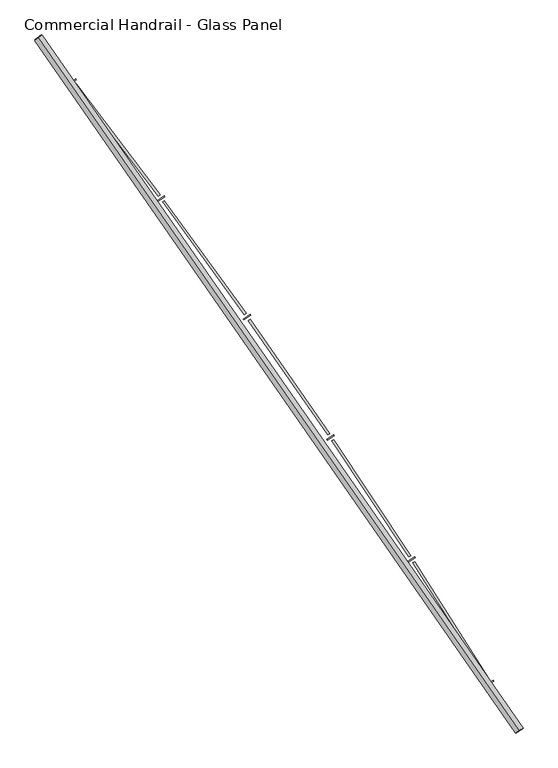
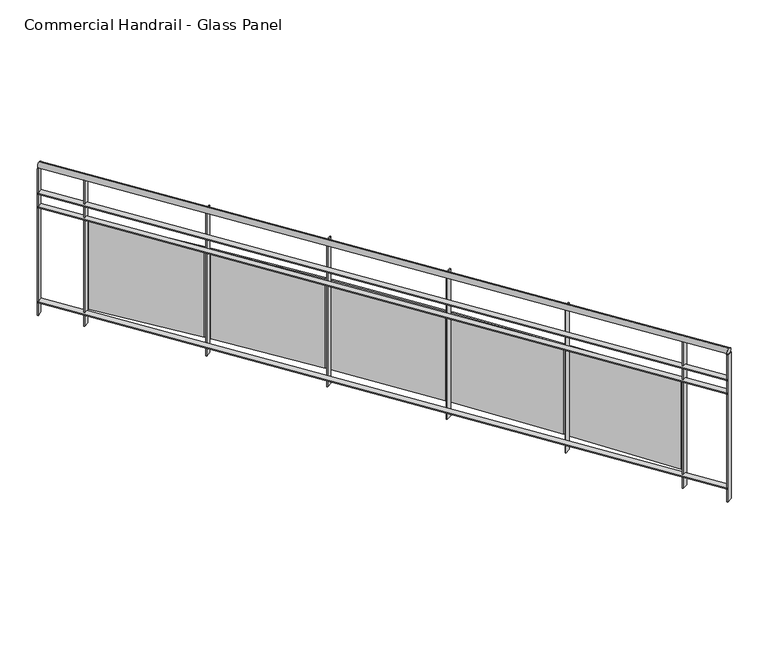
"""IFC4 building model written with IfcOpenShell, lengths in millimetres: railing geometry, Commercial Handrail - Glass Panel."""

from ifc_helpers import new_model, si_unit, point, frame, origin, place, context, project, spatial, polyline, circle_curve, ellipse_curve, trimmed, outline, extrude, source, transform, mapped, element, save
from ifc_brep_helpers import plane_surface, cylinder_surface, revolved_surface, advanced_brep


def commercial_handrail_glass_panel_68dad81e(model_context):
    return source(origin(), model_context, "Body", "SolidModel", [
        advanced_brep(
        [(174947.1226561, -30258.7265853, 36682.5), (172321.2493354, -26475.2644148, 36682.5), (172321.2493354, -26475.2644148, 36717.5), (174947.1226561, -30258.7265853, 36717.5)],
        [
            (0, 1, circle_curve(frame((141591.4318743, -50605.9420988, 36682.5), z_axis=(0.0, 0.0, 1.0), x_axis=(0.7864946016239663, 0.6175971515610791, 0.0)), 39071.873345)),
            (1, 2, ellipse_curve(frame((172321.2493354, -26475.2644148, 36700.0), z_axis=(0.6175971515610738, -0.7864946016239706, 0.0), x_axis=(-0.7864946016239706, -0.6175971515610738, 0.0)), 25.0, 17.5)),
            (2, 3, circle_curve(frame((141591.4318743, -50605.9420988, 36717.5), z_axis=(0.0, 0.0, -1.0), x_axis=(0.7864946016239663, 0.6175971515610791, 0.0)), 39071.873345)),
            (3, 0, ellipse_curve(frame((174947.1226561, -30258.7265853, 36700.0), z_axis=(-0.520763755908061, 0.8537008319853797, 0.0), x_axis=(-0.8537008319853797, -0.520763755908061, 0.0)), 25.0, 17.5)),
            (2, 1, ellipse_curve(frame((172321.2493354, -26475.2644148, 36700.0), z_axis=(0.6175971515610738, -0.7864946016239706, 0.0), x_axis=(-0.7864946016239706, -0.6175971515610738, 0.0)), 25.0, 17.5)),
            (0, 3, ellipse_curve(frame((174947.1226561, -30258.7265853, 36700.0), z_axis=(-0.520763755908061, 0.8537008319853797, 0.0), x_axis=(-0.8537008319853797, -0.520763755908061, 0.0)), 25.0, 17.5)),
        ],
        [
            revolved_surface(trimmed(ellipse_curve(frame((172321.2493354, -26475.2644148, 36700.0), z_axis=(-0.6175971515610791, 0.7864946016239663, 0.0), x_axis=(0.0, 0.0, -1.0)), 17.5, 25.0), [point((172321.2493354, -26475.2644148, 36717.5))], [point((172321.2493354, -26475.2644148, 36682.5))], True, "CARTESIAN"), (141591.4318743, -50605.9420988, 36700.0), (0.0, 0.0, -1.0)),
            revolved_surface(trimmed(ellipse_curve(frame((172321.2493354, -26475.2644148, 36700.0), z_axis=(-0.6175971515610791, 0.7864946016239663, 0.0), x_axis=(0.0, 0.0, -1.0)), 17.5, 25.0), [point((172321.2493354, -26475.2644148, 36682.5))], [point((172321.2493354, -26475.2644148, 36717.5))], True, "CARTESIAN"), (141591.4318743, -50605.9420988, 36700.0), (0.0, 0.0, -1.0)),
            plane_surface(frame((172321.2493354, -26475.2644148, 36700.0), z_axis=(-0.6175971515610791, 0.7864946016239663, 0.0), x_axis=(0.7864946016239663, 0.6175971515610791, 0.0))),
            plane_surface(frame((174947.1226561, -30258.7265853, 36700.0), z_axis=(0.5207637559080605, -0.85370083198538, 0.0), x_axis=(0.85370083198538, 0.5207637559080605, 0.0))),
        ],
        [
            (0, [[1, 2, 3, 4]]),
            (1, [[-3, 5, -1, 6]]),
            (2, [[-2, -5]]),
            (3, [[-6, -4]]),
        ],
    ),
        advanced_brep(
        [(174966.3309248, -30247.0094008, 36500.0), (172338.945464, -26461.3684789, 36500.0), (172303.5532069, -26489.1603507, 36500.0), (174927.9143874, -30270.4437698, 36500.0), (174966.3309248, -30247.0094008, 36494.0), (172338.945464, -26461.3684789, 36494.0), (174927.9143874, -30270.4437698, 36494.0), (172303.5532069, -26489.1603507, 36494.0)],
        [
            (0, 1, circle_curve(frame((141591.4318743, -50605.9420988, 36500.0), z_axis=(0.0, 0.0, 1.0), x_axis=(0.7864946016239663, 0.6175971515610791, 0.0)), 39094.373345)),
            (1, 2),
            (2, 3, circle_curve(frame((141591.4318743, -50605.9420988, 36500.0), z_axis=(0.0, 0.0, -1.0), x_axis=(0.7864946016239663, 0.6175971515610791, 0.0)), 39049.373345)),
            (3, 0),
            (4, 5, circle_curve(frame((141591.4318743, -50605.9420988, 36494.0), z_axis=(0.0, 0.0, 1.0), x_axis=(0.7864946016239663, 0.6175971515610791, 0.0)), 39094.373345)),
            (5, 1),
            (0, 4),
            (6, 7, circle_curve(frame((141591.4318743, -50605.9420988, 36494.0), z_axis=(0.0, 0.0, 1.0), x_axis=(0.7864946016239663, 0.6175971515610791, 0.0)), 39049.373345)),
            (7, 5),
            (4, 6),
            (2, 7),
            (6, 3),
        ],
        [
            plane_surface(frame((141591.4318743, -50605.9420988, 36500.0), z_axis=(0.0, 0.0, 1.0), x_axis=(0.7864946016239663, 0.6175971515610791, 0.0))),
            cylinder_surface(frame((141591.4318743, -50605.9420988, 36500.0), z_axis=(0.0, 0.0, -1.0), x_axis=(0.7864946016239663, 0.6175971515610791, 0.0)), 39094.373345),
            plane_surface(frame((141591.4318743, -50605.9420988, 36494.0), z_axis=(0.0, 0.0, -1.0), x_axis=(0.7864946016239663, 0.6175971515610791, 0.0))),
            revolved_surface(polyline([(172303.55320694132, -26489.160350682872, 36494.0), (172303.55320694132, -26489.160350682872, 36500.0)]), (141591.4318743, -50605.9420988, 36500.0), (0.0, 0.0, -1.0)),
            plane_surface(frame((172321.2493354, -26475.2644148, 36500.0), z_axis=(-0.6175971515610791, 0.7864946016239663, 0.0), x_axis=(0.7864946016239663, 0.6175971515610791, 0.0))),
            plane_surface(frame((174947.1226561, -30258.7265853, 36500.0), z_axis=(0.5207637559080605, -0.85370083198538, 0.0), x_axis=(0.85370083198538, 0.5207637559080605, 0.0))),
        ],
        [
            (0, [[1, 2, 3, 4]]),
            (1, [[5, 6, -1, 7]]),
            (2, [[8, 9, -5, 10]]),
            (3, [[-3, 11, -8, 12]]),
            (4, [[-2, -6, -9, -11]]),
            (5, [[-12, -10, -7, -4]]),
        ],
    ),
        advanced_brep(
        [(174966.3309248, -30247.0094008, 36400.0), (172338.945464, -26461.3684789, 36400.0), (172303.5532069, -26489.1603507, 36400.0), (174927.9143874, -30270.4437698, 36400.0), (174966.3309248, -30247.0094008, 36394.0), (172338.945464, -26461.3684789, 36394.0), (174927.9143874, -30270.4437698, 36394.0), (172303.5532069, -26489.1603507, 36394.0)],
        [
            (0, 1, circle_curve(frame((141591.4318743, -50605.9420988, 36400.0), z_axis=(0.0, 0.0, 1.0), x_axis=(0.7864946016239663, 0.6175971515610791, 0.0)), 39094.373345)),
            (1, 2),
            (2, 3, circle_curve(frame((141591.4318743, -50605.9420988, 36400.0), z_axis=(0.0, 0.0, -1.0), x_axis=(0.7864946016239663, 0.6175971515610791, 0.0)), 39049.373345)),
            (3, 0),
            (4, 5, circle_curve(frame((141591.4318743, -50605.9420988, 36394.0), z_axis=(0.0, 0.0, 1.0), x_axis=(0.7864946016239663, 0.6175971515610791, 0.0)), 39094.373345)),
            (5, 1),
            (0, 4),
            (6, 7, circle_curve(frame((141591.4318743, -50605.9420988, 36394.0), z_axis=(0.0, 0.0, 1.0), x_axis=(0.7864946016239663, 0.6175971515610791, 0.0)), 39049.373345)),
            (7, 5),
            (4, 6),
            (2, 7),
            (6, 3),
        ],
        [
            plane_surface(frame((141591.4318743, -50605.9420988, 36400.0), z_axis=(0.0, 0.0, 1.0), x_axis=(0.7864946016239663, 0.6175971515610791, 0.0))),
            cylinder_surface(frame((141591.4318743, -50605.9420988, 36400.0), z_axis=(0.0, 0.0, -1.0), x_axis=(0.7864946016239663, 0.6175971515610791, 0.0)), 39094.373345),
            plane_surface(frame((141591.4318743, -50605.9420988, 36394.0), z_axis=(0.0, 0.0, -1.0), x_axis=(0.7864946016239663, 0.6175971515610791, 0.0))),
            revolved_surface(polyline([(172303.55320694132, -26489.160350682872, 36394.0), (172303.55320694132, -26489.160350682872, 36400.0)]), (141591.4318743, -50605.9420988, 36400.0), (0.0, 0.0, -1.0)),
            plane_surface(frame((172321.2493354, -26475.2644148, 36400.0), z_axis=(-0.6175971515610791, 0.7864946016239663, 0.0), x_axis=(0.7864946016239663, 0.6175971515610791, 0.0))),
            plane_surface(frame((174947.1226561, -30258.7265853, 36400.0), z_axis=(0.5207637559080605, -0.85370083198538, 0.0), x_axis=(0.85370083198538, 0.5207637559080605, 0.0))),
        ],
        [
            (0, [[1, 2, 3, 4]]),
            (1, [[5, 6, -1, 7]]),
            (2, [[8, 9, -5, 10]]),
            (3, [[-3, 11, -8, 12]]),
            (4, [[-2, -6, -9, -11]]),
            (5, [[-12, -10, -7, -4]]),
        ],
    ),
        advanced_brep(
        [(174966.3309248, -30247.0094008, 35700.0), (172338.945464, -26461.3684789, 35700.0), (172303.5532069, -26489.1603507, 35700.0), (174927.9143874, -30270.4437698, 35700.0), (174966.3309248, -30247.0094008, 35694.0), (172338.945464, -26461.3684789, 35694.0), (174927.9143874, -30270.4437698, 35694.0), (172303.5532069, -26489.1603507, 35694.0)],
        [
            (0, 1, circle_curve(frame((141591.4318743, -50605.9420988, 35700.0), z_axis=(0.0, 0.0, 1.0), x_axis=(0.7864946016239663, 0.6175971515610791, 0.0)), 39094.373345)),
            (1, 2),
            (2, 3, circle_curve(frame((141591.4318743, -50605.9420988, 35700.0), z_axis=(0.0, 0.0, -1.0), x_axis=(0.7864946016239663, 0.6175971515610791, 0.0)), 39049.373345)),
            (3, 0),
            (4, 5, circle_curve(frame((141591.4318743, -50605.9420988, 35694.0), z_axis=(0.0, 0.0, 1.0), x_axis=(0.7864946016239663, 0.6175971515610791, 0.0)), 39094.373345)),
            (5, 1),
            (0, 4),
            (6, 7, circle_curve(frame((141591.4318743, -50605.9420988, 35694.0), z_axis=(0.0, 0.0, 1.0), x_axis=(0.7864946016239663, 0.6175971515610791, 0.0)), 39049.373345)),
            (7, 5),
            (4, 6),
            (2, 7),
            (6, 3),
        ],
        [
            plane_surface(frame((141591.4318743, -50605.9420988, 35700.0), z_axis=(0.0, 0.0, 1.0), x_axis=(0.7864946016239663, 0.6175971515610791, 0.0))),
            cylinder_surface(frame((141591.4318743, -50605.9420988, 35700.0), z_axis=(0.0, 0.0, -1.0), x_axis=(0.7864946016239663, 0.6175971515610791, 0.0)), 39094.373345),
            plane_surface(frame((141591.4318743, -50605.9420988, 35694.0), z_axis=(0.0, 0.0, -1.0), x_axis=(0.7864946016239663, 0.6175971515610791, 0.0))),
            revolved_surface(polyline([(172303.55320694132, -26489.160350682872, 35694.0), (172303.55320694132, -26489.160350682872, 35700.0)]), (141591.4318743, -50605.9420988, 35700.0), (0.0, 0.0, -1.0)),
            plane_surface(frame((172321.2493354, -26475.2644148, 35700.0), z_axis=(-0.6175971515610791, 0.7864946016239663, 0.0), x_axis=(0.7864946016239663, 0.6175971515610791, 0.0))),
            plane_surface(frame((174947.1226561, -30258.7265853, 35700.0), z_axis=(0.5207637559080605, -0.85370083198538, 0.0), x_axis=(0.85370083198538, 0.5207637559080605, 0.0))),
        ],
        [
            (0, [[1, 2, 3, 4]]),
            (1, [[5, 6, -1, 7]]),
            (2, [[8, 9, -5, 10]]),
            (3, [[-3, 11, -8, 12]]),
            (4, [[-2, -6, -9, -11]]),
            (5, [[-12, -10, -7, -4]]),
        ],
    ),
        extrude(outline(polyline([(174767.0827529, -30009.1035934), (174805.3157733, -29985.3709966), (174808.4801195, -29990.4687326), (174770.2470991, -30014.2013295), (174767.0827529, -30009.1035934)])), frame((0.0, 0.0, 35600.0), z_axis=(0.0, 0.0, 1.0), x_axis=(1.0, 0.0, 0.0)), (0.0, 0.0, 1.0), 1082.1192282),
        extrude(outline(polyline([(174376.4508905, -29337.0184477), (174783.8574789, -29978.5945319), (174773.7273302, -29985.0272675), (174366.3207418, -29343.4511834), (174376.4508905, -29337.0184477)])), frame((0.0, 0.0, 35720.0), z_axis=(0.0, 0.0, 1.0), x_axis=(1.0, 0.0, 0.0)), (0.0, 0.0, 1.0), 660.0),
        extrude(outline(polyline([(174338.4363039, -29334.1939685), (174376.1754174, -29309.6835764), (174379.4434696, -29314.7154582), (174341.7043562, -29339.2258503), (174338.4363039, -29334.1939685)])), frame((0.0, 0.0, 35600.0), z_axis=(0.0, 0.0, 1.0), x_axis=(1.0, 0.0, 0.0)), (0.0, 0.0, 1.0), 1082.1192282),
        extrude(outline(polyline([(173934.1262806, -28670.2473592), (174354.5828818, -29303.3478619), (174344.5865581, -29309.9866503), (173924.1299568, -28676.8861476), (173934.1262806, -28670.2473592)])), frame((0.0, 0.0, 35720.0), z_axis=(0.0, 0.0, 1.0), x_axis=(1.0, 0.0, 0.0)), (0.0, 0.0, 1.0), 660.0),
        extrude(outline(polyline([(173896.0618347, -28668.2017695), (173933.2912204, -28642.9238574), (173936.6616087, -28647.8877755), (173899.432223, -28673.1656876), (173896.0618347, -28668.2017695)])), frame((0.0, 0.0, 35600.0), z_axis=(0.0, 0.0, 1.0), x_axis=(1.0, 0.0, 0.0)), (0.0, 0.0, 1.0), 1082.1192282),
        extrude(outline(polyline([(173478.243143, -28012.6720327), (173911.5734956, -28637.031549), (173901.7151874, -28643.8736072), (173468.3848349, -28019.5140909), (173478.243143, -28012.6720327)])), frame((0.0, 0.0, 35720.0), z_axis=(0.0, 0.0, 1.0), x_axis=(1.0, 0.0, 0.0)), (0.0, 0.0, 1.0), 660.0),
        extrude(outline(polyline([(173440.1447951, -28011.4061902), (173476.848846, -27985.3713549), (173480.3201573, -27990.2652284), (173443.6161065, -28016.3000637), (173440.1447951, -28011.4061902)])), frame((0.0, 0.0, 35600.0), z_axis=(0.0, 0.0, 1.0), x_axis=(1.0, 0.0, 0.0)), (0.0, 0.0, 1.0), 1082.1192282),
        extrude(outline(polyline([(173008.9925907, -27364.5681335), (173455.0150362, -27979.9249228), (173445.2988764, -27986.9673824), (172999.2764309, -27371.6105932), (173008.9925907, -27364.5681335)])), frame((0.0, 0.0, 35720.0), z_axis=(0.0, 0.0, 1.0), x_axis=(1.0, 0.0, 0.0)), (0.0, 0.0, 1.0), 660.0),
        extrude(outline(polyline([(172970.876312, -27364.0825688), (173007.0396412, -27337.3017244), (173010.6104205, -27342.1235017), (172974.4470913, -27368.904346), (172970.876312, -27364.0825688)])), frame((0.0, 0.0, 35600.0), z_axis=(0.0, 0.0, 1.0), x_axis=(1.0, 0.0, 0.0)), (0.0, 0.0, 1.0), 1082.1192282),
        extrude(outline(polyline([(172526.5713403, -26726.207356), (172985.0988996, -27332.3034518), (172975.5289613, -27339.5433607), (172517.0014019, -26733.4472649), (172526.5713403, -26726.207356)])), frame((0.0, 0.0, 35720.0), z_axis=(0.0, 0.0, 1.0), x_axis=(1.0, 0.0, 0.0)), (0.0, 0.0, 1.0), 660.0),
        extrude(outline(polyline([(172488.4531098, -26726.5022727), (172524.0605571, -26698.9866462), (172527.7293072, -26703.7343059), (172492.12186, -26731.2499323), (172488.4531098, -26726.5022727)])), frame((0.0, 0.0, 35600.0), z_axis=(0.0, 0.0, 1.0), x_axis=(1.0, 0.0, 0.0)), (0.0, 0.0, 1.0), 1082.1192282),
        extrude(outline(polyline([(174926.3520961, -30267.8826673), (174964.7686336, -30244.4482983), (174967.8932161, -30249.5705033), (174929.4766787, -30273.0048723), (174926.3520961, -30267.8826673)])), frame((0.0, 0.0, 35600.0), z_axis=(0.0, 0.0, 1.0), x_axis=(1.0, 0.0, 0.0)), (0.0, 0.0, 1.0), 1082.1192282),
        extrude(outline(polyline([(172301.7004154, -26486.8008669), (172337.0926725, -26459.0089951), (172340.7982554, -26463.7279627), (172305.4059984, -26491.5198345), (172301.7004154, -26486.8008669)])), frame((0.0, 0.0, 35600.0), z_axis=(0.0, 0.0, 1.0), x_axis=(1.0, 0.0, 0.0)), (0.0, 0.0, 1.0), 1082.1192282),
    ])


if __name__ == "__main__":
    model = new_model("IFC4")
    model_context = context("Model", 3, world=origin())
    ifc_project = project(units=[si_unit("LENGTHUNIT", "METRE", prefix="MILLI")], contexts=[model_context])
    site = spatial("IfcSite", under=ifc_project)
    building = spatial("IfcBuilding", under=site)
    placement = place(None, origin())
    commercial_handrail_glass_panel_shape = commercial_handrail_glass_panel_68dad81e(model_context)
    element("IfcRailing", 1, ObjectType="Commercial Handrail - Glass Panel", at=placement, inside=building, context=model_context, shape_type="MappedRepresentation", body=[
        mapped(commercial_handrail_glass_panel_shape, transform((0.0, 0.0, 0.0), x_axis=(1.0, 0.0, 0.0), y_axis=(0.0, 1.0, 0.0), z_axis=(0.0, 0.0, 1.0))),
    ])
    save(model, "model.ifc")
